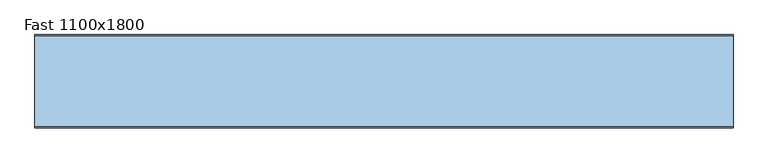
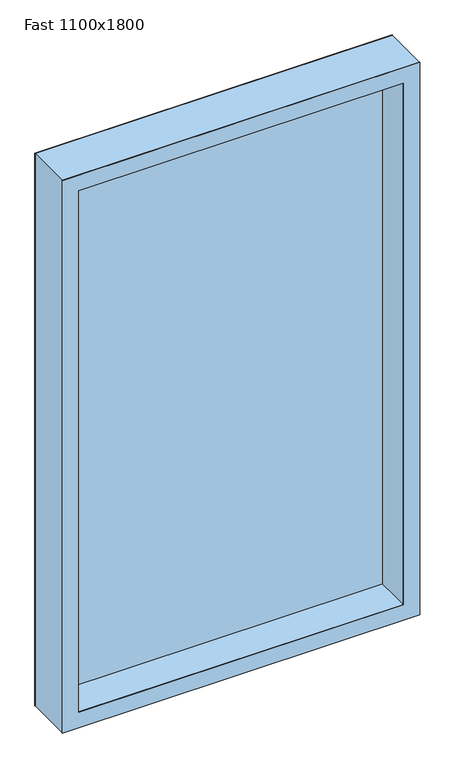
"""IFC4 building model written with IfcOpenShell, lengths in millimetres: window geometry, Fast 1100x1800."""

import ifcopenshell
import ifcopenshell.guid

model = None  # the IFC model being written
_history = None  # IfcOwnerHistory: only IFC2X3 demands one
_inside = {}  # id of a spatial element -> (the spatial element, [elements in it])
_under = {}  # id of a project, library or spatial element -> (it, [spatial elements below it])
_declared = {}  # id of a project -> (the project, [libraries it declares])
_typed = {}  # id of a type object -> (the type object, [elements of that type])
_made_of = {}  # id of a material, layer set ... -> (it, [elements and type objects made of it])


def new_model(schema):
    """Start an empty IFC model of exactly this schema.

    Asked for "IFC4X3", IfcOpenShell would pick the latest addendum, in which some entities
    have other attributes; the version numbers below select the first issue.
    IFC2X3 requires an IfcOwnerHistory on every rooted entity: one is made here for all.
    """
    global model, _history
    if schema == "IFC4X3":
        model = ifcopenshell.file(schema_version=(4, 3, 0, 0))
    else:
        model = ifcopenshell.file(schema=schema)
    _inside.clear()
    _under.clear()
    _declared.clear()
    _typed.clear()
    _made_of.clear()
    _history = None
    if model.schema == "IFC2X3":
        org = make("IfcOrganization", Name="unknown")
        user = make(
            "IfcPersonAndOrganization",
            ThePerson=make("IfcPerson", FamilyName="unknown"),
            TheOrganization=org,
        )
        app = make(
            "IfcApplication",
            ApplicationDeveloper=org,
            Version="unknown",
            ApplicationFullName="unknown",
            ApplicationIdentifier="unknown",
        )
        _history = make(
            "IfcOwnerHistory",
            OwningUser=user,
            OwningApplication=app,
            ChangeAction="ADDED",
            CreationDate=0,
        )
    return model


def make(cls, **values):
    """One entity of the class cls with the attributes given. An attribute that is None is left unset."""
    return model.create_entity(
        cls, **{name: value for name, value in values.items() if value is not None}
    )


def rooted(cls, **values):
    """An entity with a GlobalId (a new one), such as an element, a storey or a relation."""
    return make(cls, GlobalId=ifcopenshell.guid.new(), OwnerHistory=_history, **values)


def si_unit(unit_type, name, prefix=None):
    """IfcSIUnit, for example si_unit("LENGTHUNIT", "METRE", prefix="MILLI")."""
    return make("IfcSIUnit", UnitType=unit_type, Prefix=prefix, Name=name)


def assignment(units):
    """IfcUnitAssignment: the units of a project."""
    return None if units is None else make("IfcUnitAssignment", Units=units)


def point(xyz):
    """IfcCartesianPoint."""
    return None if xyz is None else make("IfcCartesianPoint", Coordinates=xyz)


def direction(xyz):
    """IfcDirection."""
    return None if xyz is None else make("IfcDirection", DirectionRatios=xyz)


def frame(location, z_axis=None, x_axis=None):
    """IfcAxis2Placement3D, a coordinate frame: its origin and axes. An axis left out is left unset."""
    return make(
        "IfcAxis2Placement3D",
        Location=point(location),
        Axis=direction(z_axis),
        RefDirection=direction(x_axis),
    )


def origin():
    """The frame at (0, 0, 0) with its axes left unset."""
    return frame((0.0, 0.0, 0.0))


def place(relative_to, where):
    """IfcLocalPlacement: puts the frame where relative to a parent placement (None: the world)."""
    return make(
        "IfcLocalPlacement", PlacementRelTo=relative_to, RelativePlacement=where
    )


def context(
    kind, dimensions, precision=None, world=None, true_north=None, identifier=None
):
    """IfcGeometricRepresentationContext, for example the 3D "Model" context."""
    return make(
        "IfcGeometricRepresentationContext",
        ContextIdentifier=identifier,
        ContextType=kind,
        CoordinateSpaceDimension=dimensions,
        Precision=precision,
        WorldCoordinateSystem=world,
        TrueNorth=true_north,
    )


def project(units=None, contexts=None):
    """IfcProject with its units and contexts."""
    return rooted(
        "IfcProject",
        Name="project",
        RepresentationContexts=contexts,
        UnitsInContext=assignment(units),
    )


def spatial(cls, under=None, at=None, **own):
    """A site, building, storey or space (cls), placed at a placement, below another one or the project."""
    s = rooted(cls, ObjectPlacement=at, **own)
    if under is not None:
        _under.setdefault(under.id(), (under, []))[1].append(s)
    return s


def polyline(points):
    """IfcPolyline through the points."""
    return make("IfcPolyline", Points=[point(p) for p in points])


def outline(outer, holes=None, kind="AREA"):
    """IfcArbitraryClosedProfileDef: a profile drawn as a closed curve; with holes, ...WithVoids."""
    if holes is None:
        return make("IfcArbitraryClosedProfileDef", ProfileType=kind, OuterCurve=outer)
    return make(
        "IfcArbitraryProfileDefWithVoids",
        ProfileType=kind,
        OuterCurve=outer,
        InnerCurves=holes,
    )


def extrude(swept, where, along, depth):
    """IfcExtrudedAreaSolid: the profile swept, set in the frame where, extruded along a direction by depth."""
    return make(
        "IfcExtrudedAreaSolid",
        SweptArea=swept,
        Position=where,
        ExtrudedDirection=direction(along),
        Depth=depth,
    )


def faces_of(points, faces, orient=None, outer=None):
    """IfcFace entities. A face is a list of loops; a loop is a list of indices into points, from 0.

    orient and outer hold one flag for each loop. By default every Orientation is true, the
    first loop of a face is its IfcFaceOuterBound and the others are IfcFaceBound.
    """
    made = []
    for i, loops in enumerate(faces):
        bounds = []
        for j, loop in enumerate(loops):
            is_outer = j == 0 if outer is None else outer[i][j]
            bounds.append(
                make(
                    "IfcFaceOuterBound" if is_outer else "IfcFaceBound",
                    Bound=make("IfcPolyLoop", Polygon=[points[k] for k in loop]),
                    Orientation=True if orient is None else orient[i][j],
                )
            )
        made.append(make("IfcFace", Bounds=bounds))
    return made


def faceted_brep(points, faces, orient=None, outer=None, voids=None):
    """IfcFacetedBrep: a solid bounded by flat faces; with voids (closed shells), ...WithVoids."""
    shared = [point(p) for p in points]
    hull = make("IfcClosedShell", CfsFaces=faces_of(shared, faces, orient, outer))
    if voids is None:
        return make("IfcFacetedBrep", Outer=hull)
    return make(
        "IfcFacetedBrepWithVoids",
        Outer=hull,
        Voids=[
            make(cls, CfsFaces=faces_of(shared, fs, o, b)) for cls, fs, o, b in voids
        ],
    )


def shape(context_of_items, identifier, shape_type, items):
    """IfcShapeRepresentation: the items that make up one representation, for example the "Body"."""
    return make(
        "IfcShapeRepresentation",
        ContextOfItems=context_of_items,
        RepresentationIdentifier=identifier,
        RepresentationType=shape_type,
        Items=items,
    )


def source(mapping_origin, context_of_items, identifier, shape_type, items):
    """IfcRepresentationMap: a shape defined once, which mapped items show again and again."""
    return make(
        "IfcRepresentationMap",
        MappingOrigin=mapping_origin,
        MappedRepresentation=shape(context_of_items, identifier, shape_type, items),
    )


def transform(
    local_origin,
    x_axis=None,
    y_axis=None,
    z_axis=None,
    scale=None,
    scale2=None,
    scale3=None,
    uniform=True,
):
    """IfcCartesianTransformationOperator3D, or its non-uniform kind. x_axis, y_axis, z_axis: its Axis1, 2, 3."""
    if uniform:
        return make(
            "IfcCartesianTransformationOperator3D",
            Axis1=direction(x_axis),
            Axis2=direction(y_axis),
            LocalOrigin=point(local_origin),
            Scale=scale,
            Axis3=direction(z_axis),
        )
    return make(
        "IfcCartesianTransformationOperator3DnonUniform",
        Axis1=direction(x_axis),
        Axis2=direction(y_axis),
        LocalOrigin=point(local_origin),
        Scale=scale,
        Axis3=direction(z_axis),
        Scale2=scale2,
        Scale3=scale3,
    )


def mapped(mapping_source, mapping_target):
    """IfcMappedItem: shows the shape of a source again, moved by a transform."""
    return make(
        "IfcMappedItem", MappingSource=mapping_source, MappingTarget=mapping_target
    )


def made_of(thing, what):
    """Note that an element or type object is made of a material, layer set ...; save() writes the relation."""
    if what is not None:
        _made_of.setdefault(what.id(), (what, []))[1].append(thing)
    return thing


def element(
    cls,
    number,
    at=None,
    inside=None,
    cuts=None,
    type_object=None,
    material=None,
    context=None,
    identifier="Body",
    shape_type=None,
    held_by="IfcProductDefinitionShape",
    body=None,
    shapes=None,
    **own,
):
    """One element of the class cls, such as IfcWall. Its Tag is "e" and its number.

    at: its placement. inside: the storey or other place that contains it. cuts: it is an
    opening in that element (IfcRelVoidsElement). A single representation is given by context,
    identifier, shape_type and body (its items); several are given by shapes. held_by: the class
    of the entity that holds the representations. save() writes the other relations.
    """
    e = rooted(cls, Tag="e%d" % number, ObjectPlacement=at, **own)
    if body is not None:
        shapes = [shape(context, identifier, shape_type, body)]
    if shapes is not None:
        e.Representation = make(held_by, Representations=shapes)
    if inside is not None:
        _inside.setdefault(inside.id(), (inside, []))[1].append(e)
    if cuts is not None:
        rooted(
            "IfcRelVoidsElement", RelatingBuildingElement=cuts, RelatedOpeningElement=e
        )
    if type_object is not None:
        _typed.setdefault(type_object.id(), (type_object, []))[1].append(e)
    return made_of(e, material)


def aggregate(whole, parts):
    """IfcRelAggregates: a whole, such as a stair, and the parts it consists of."""
    return rooted("IfcRelAggregates", RelatingObject=whole, RelatedObjects=parts)


def save(model, path):
    """Write the relations noted so far, then the file.

    IfcRelAggregates (storeys below a building ...), IfcRelContainedInSpatialStructure (elements
    in a storey), IfcRelDefinesByType, IfcRelAssociatesMaterial and IfcRelDeclares: one each for
    every whole, place, type object, material and project.
    """
    for whole, parts in _under.values():
        aggregate(whole, parts)
    for where, things in _inside.values():
        rooted(
            "IfcRelContainedInSpatialStructure",
            RelatedElements=things,
            RelatingStructure=where,
        )
    for kind, things in _typed.values():
        rooted("IfcRelDefinesByType", RelatedObjects=things, RelatingType=kind)
    for what, things in _made_of.values():
        rooted("IfcRelAssociatesMaterial", RelatedObjects=things, RelatingMaterial=what)
    for by, libraries in _declared.values():
        rooted("IfcRelDeclares", RelatingContext=by, RelatedDefinitions=libraries)
    model.write(path)


def fast_1100x1800_b7ea80ce(model_context):
    return source(origin(), model_context, "Body", "SolidModel", [
        extrude(outline(polyline([(508.0, 53.5), (-508.0, 53.5), (-508.0, 78.5), (508.0, 78.5), (508.0, 53.5)])), frame((0.0, 0.0, 847.0), z_axis=(0.0, 0.0, 1.0), x_axis=(1.0, 0.0, 0.0)), (0.0, 0.0, 1.0), 1706.0),
        extrude(outline(polyline([(2588.0, 543.0), (2588.0, -543.0), (812.0, -543.0), (812.0, 543.0), (2588.0, 543.0)]), holes=[polyline([(2538.0, 493.0), (862.0, 493.0), (862.0, -493.0), (2538.0, -493.0), (2538.0, 493.0)])]), frame((0.0, -56.5, 0.0), z_axis=(0.0, 1.0, 0.0), x_axis=(0.0, 0.0, 1.0)), (0.0, 0.0, 1.0), 1.0),
        extrude(outline(polyline([(2588.0, -543.0), (812.0, -543.0), (812.0, 543.0), (2588.0, 543.0), (2588.0, -543.0)]), holes=[polyline([(2538.0, -493.0), (2538.0, 493.0), (862.0, 493.0), (862.0, -493.0), (2538.0, -493.0)])]), frame((0.0, 87.5, 0.0), z_axis=(0.0, 1.0, 0.0), x_axis=(0.0, 0.0, 1.0)), (0.0, 0.0, 1.0), 1.0),
        faceted_brep([(-493.0, 53.5, 2538.0), (-493.0, -55.5, 2538.0), (-493.0, -55.5, 862.0), (-493.0, 53.5, 862.0), (-543.0, -55.5, 812.0), (543.0, -55.5, 812.0), (543.0, -55.5, 2588.0), (-543.0, -55.5, 2588.0), (493.0, -55.5, 2538.0), (493.0, -55.5, 862.0), (493.0, 53.5, 862.0), (-508.0, 53.5, 2553.0), (508.0, 53.5, 2553.0), (508.0, 53.5, 847.0), (-508.0, 53.5, 847.0), (493.0, 53.5, 2538.0), (-543.0, 87.5, 2588.0), (-543.0, 87.5, 812.0), (543.0, 87.5, 2588.0), (543.0, 87.5, 812.0), (-493.0, 87.5, 862.0), (493.0, 87.5, 862.0), (493.0, 87.5, 2538.0), (-493.0, 87.5, 2538.0), (-493.0, 78.5, 2538.0), (-493.0, 78.5, 862.0), (-508.0, 78.5, 847.0), (508.0, 78.5, 847.0), (508.0, 78.5, 2553.0), (-508.0, 78.5, 2553.0), (493.0, 78.5, 2538.0), (493.0, 78.5, 862.0)], [[[0, 1, 2, 3]], [[4, 5, 6, 7], [1, 8, 9, 2]], [[3, 2, 9, 10]], [[11, 12, 13, 14], [3, 10, 15, 0]], [[7, 16, 17, 4]], [[16, 18, 19, 17], [20, 21, 22, 23]], [[4, 17, 19, 5]], [[23, 24, 25, 20]], [[26, 27, 28, 29], [24, 30, 31, 25]], [[20, 25, 31, 21]], [[29, 11, 14, 26]], [[26, 14, 13, 27]], [[10, 9, 8, 15]], [[5, 19, 18, 6]], [[21, 31, 30, 22]], [[27, 13, 12, 28]], [[15, 8, 1, 0]], [[6, 18, 16, 7]], [[22, 30, 24, 23]], [[28, 12, 11, 29]]]),
    ])


if __name__ == "__main__":
    model = new_model("IFC4")
    model_context = context("Model", 3, world=origin())
    ifc_project = project(units=[si_unit("LENGTHUNIT", "METRE", prefix="MILLI")], contexts=[model_context])
    site = spatial("IfcSite", under=ifc_project)
    building = spatial("IfcBuilding", under=site)
    placement = place(None, origin())
    fast_1100x1800_shape = fast_1100x1800_b7ea80ce(model_context)
    element("IfcWindow", 1, ObjectType="Fast 1100x1800", at=placement, inside=building, context=model_context, shape_type="MappedRepresentation", body=[
        mapped(fast_1100x1800_shape, transform((0.0, 0.0, 0.0), x_axis=(1.0, 0.0, 0.0), y_axis=(0.0, 1.0, 0.0), z_axis=(0.0, 0.0, 1.0))),
    ])
    save(model, "model.ifc")
